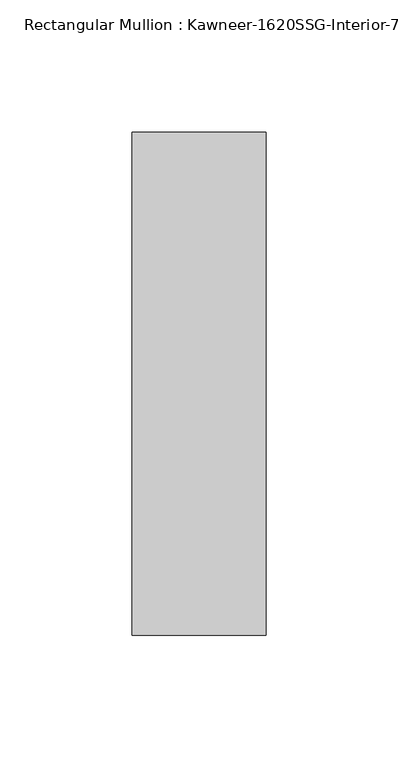
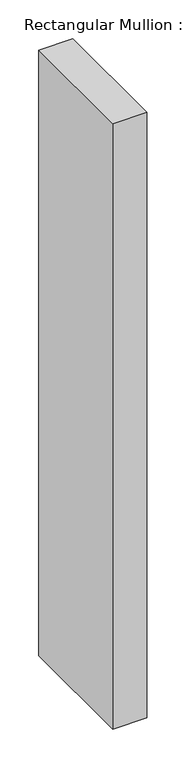
"""IFC4 building model written with IfcOpenShell, lengths in millimetres: member geometry."""

from ifc_helpers import new_model, si_unit, frame, origin, place, context, project, spatial, polyline, outline, extrude, source, transform, mapped, element, save


def member_1cf9ad89(model_context):
    return source(origin(), model_context, "Body", "SweptSolid", [
        extrude(outline(polyline([(25.4, -152.4), (-25.4, -152.4), (-25.4, 38.1), (25.4, 38.1), (25.4, -152.4)])), frame((0.0, 0.0, -952.5), z_axis=(0.0, 0.0, 1.0), x_axis=(1.0, 0.0, 0.0)), (0.0, 0.0, 1.0), 952.5),
    ])


if __name__ == "__main__":
    model = new_model("IFC4")
    model_context = context("Model", 3, world=origin())
    ifc_project = project(units=[si_unit("LENGTHUNIT", "METRE", prefix="MILLI")], contexts=[model_context])
    site = spatial("IfcSite", under=ifc_project)
    building = spatial("IfcBuilding", under=site)
    placement = place(None, origin())
    member_shape = member_1cf9ad89(model_context)
    element("IfcMember", 1, ObjectType="Rectangular Mullion : Kawneer-1620SSG-Interior-7.5\"-1\"Infill", at=placement, inside=building, context=model_context, shape_type="MappedRepresentation", body=[
        mapped(member_shape, transform((0.0, 0.0, 0.0), x_axis=(1.0, 0.0, 0.0), y_axis=(0.0, 1.0, 0.0), z_axis=(0.0, 0.0, 1.0))),
    ])
    save(model, "model.ifc")
